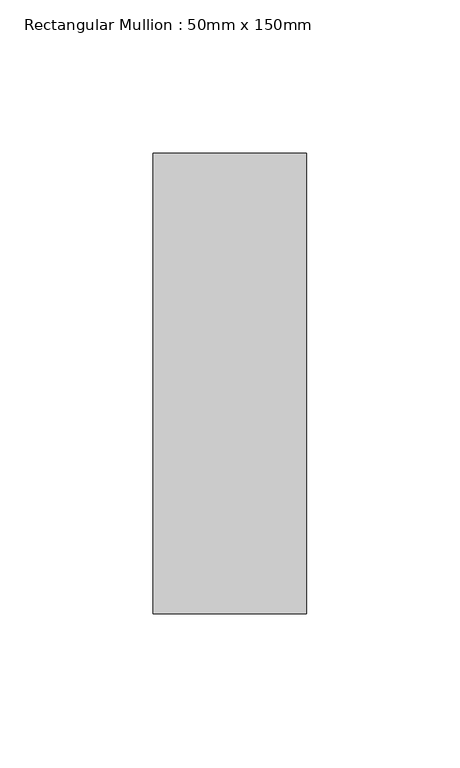
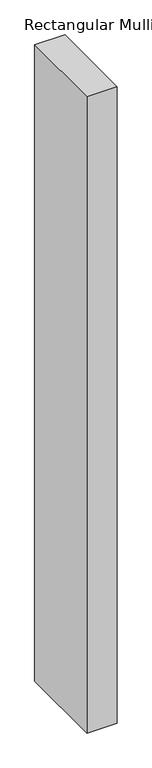
"""IFC4 building model written with IfcOpenShell, lengths in millimetres: member geometry, Rectangular Mullion : 50mm x 150mm."""

import ifcopenshell
import ifcopenshell.guid

model = None  # the IFC model being written
_history = None  # IfcOwnerHistory: only IFC2X3 demands one
_inside = {}  # id of a spatial element -> (the spatial element, [elements in it])
_under = {}  # id of a project, library or spatial element -> (it, [spatial elements below it])
_declared = {}  # id of a project -> (the project, [libraries it declares])
_typed = {}  # id of a type object -> (the type object, [elements of that type])
_made_of = {}  # id of a material, layer set ... -> (it, [elements and type objects made of it])


def new_model(schema):
    """Start an empty IFC model of exactly this schema.

    Asked for "IFC4X3", IfcOpenShell would pick the latest addendum, in which some entities
    have other attributes; the version numbers below select the first issue.
    IFC2X3 requires an IfcOwnerHistory on every rooted entity: one is made here for all.
    """
    global model, _history
    if schema == "IFC4X3":
        model = ifcopenshell.file(schema_version=(4, 3, 0, 0))
    else:
        model = ifcopenshell.file(schema=schema)
    _inside.clear()
    _under.clear()
    _declared.clear()
    _typed.clear()
    _made_of.clear()
    _history = None
    if model.schema == "IFC2X3":
        org = make("IfcOrganization", Name="unknown")
        user = make(
            "IfcPersonAndOrganization",
            ThePerson=make("IfcPerson", FamilyName="unknown"),
            TheOrganization=org,
        )
        app = make(
            "IfcApplication",
            ApplicationDeveloper=org,
            Version="unknown",
            ApplicationFullName="unknown",
            ApplicationIdentifier="unknown",
        )
        _history = make(
            "IfcOwnerHistory",
            OwningUser=user,
            OwningApplication=app,
            ChangeAction="ADDED",
            CreationDate=0,
        )
    return model


def make(cls, **values):
    """One entity of the class cls with the attributes given. An attribute that is None is left unset."""
    return model.create_entity(
        cls, **{name: value for name, value in values.items() if value is not None}
    )


def rooted(cls, **values):
    """An entity with a GlobalId (a new one), such as an element, a storey or a relation."""
    return make(cls, GlobalId=ifcopenshell.guid.new(), OwnerHistory=_history, **values)


def si_unit(unit_type, name, prefix=None):
    """IfcSIUnit, for example si_unit("LENGTHUNIT", "METRE", prefix="MILLI")."""
    return make("IfcSIUnit", UnitType=unit_type, Prefix=prefix, Name=name)


def assignment(units):
    """IfcUnitAssignment: the units of a project."""
    return None if units is None else make("IfcUnitAssignment", Units=units)


def point(xyz):
    """IfcCartesianPoint."""
    return None if xyz is None else make("IfcCartesianPoint", Coordinates=xyz)


def direction(xyz):
    """IfcDirection."""
    return None if xyz is None else make("IfcDirection", DirectionRatios=xyz)


def frame(location, z_axis=None, x_axis=None):
    """IfcAxis2Placement3D, a coordinate frame: its origin and axes. An axis left out is left unset."""
    return make(
        "IfcAxis2Placement3D",
        Location=point(location),
        Axis=direction(z_axis),
        RefDirection=direction(x_axis),
    )


def origin():
    """The frame at (0, 0, 0) with its axes left unset."""
    return frame((0.0, 0.0, 0.0))


def place(relative_to, where):
    """IfcLocalPlacement: puts the frame where relative to a parent placement (None: the world)."""
    return make(
        "IfcLocalPlacement", PlacementRelTo=relative_to, RelativePlacement=where
    )


def context(
    kind, dimensions, precision=None, world=None, true_north=None, identifier=None
):
    """IfcGeometricRepresentationContext, for example the 3D "Model" context."""
    return make(
        "IfcGeometricRepresentationContext",
        ContextIdentifier=identifier,
        ContextType=kind,
        CoordinateSpaceDimension=dimensions,
        Precision=precision,
        WorldCoordinateSystem=world,
        TrueNorth=true_north,
    )


def project(units=None, contexts=None):
    """IfcProject with its units and contexts."""
    return rooted(
        "IfcProject",
        Name="project",
        RepresentationContexts=contexts,
        UnitsInContext=assignment(units),
    )


def spatial(cls, under=None, at=None, **own):
    """A site, building, storey or space (cls), placed at a placement, below another one or the project."""
    s = rooted(cls, ObjectPlacement=at, **own)
    if under is not None:
        _under.setdefault(under.id(), (under, []))[1].append(s)
    return s


def polyline(points):
    """IfcPolyline through the points."""
    return make("IfcPolyline", Points=[point(p) for p in points])


def outline(outer, holes=None, kind="AREA"):
    """IfcArbitraryClosedProfileDef: a profile drawn as a closed curve; with holes, ...WithVoids."""
    if holes is None:
        return make("IfcArbitraryClosedProfileDef", ProfileType=kind, OuterCurve=outer)
    return make(
        "IfcArbitraryProfileDefWithVoids",
        ProfileType=kind,
        OuterCurve=outer,
        InnerCurves=holes,
    )


def extrude(swept, where, along, depth):
    """IfcExtrudedAreaSolid: the profile swept, set in the frame where, extruded along a direction by depth."""
    return make(
        "IfcExtrudedAreaSolid",
        SweptArea=swept,
        Position=where,
        ExtrudedDirection=direction(along),
        Depth=depth,
    )


def shape(context_of_items, identifier, shape_type, items):
    """IfcShapeRepresentation: the items that make up one representation, for example the "Body"."""
    return make(
        "IfcShapeRepresentation",
        ContextOfItems=context_of_items,
        RepresentationIdentifier=identifier,
        RepresentationType=shape_type,
        Items=items,
    )


def source(mapping_origin, context_of_items, identifier, shape_type, items):
    """IfcRepresentationMap: a shape defined once, which mapped items show again and again."""
    return make(
        "IfcRepresentationMap",
        MappingOrigin=mapping_origin,
        MappedRepresentation=shape(context_of_items, identifier, shape_type, items),
    )


def transform(
    local_origin,
    x_axis=None,
    y_axis=None,
    z_axis=None,
    scale=None,
    scale2=None,
    scale3=None,
    uniform=True,
):
    """IfcCartesianTransformationOperator3D, or its non-uniform kind. x_axis, y_axis, z_axis: its Axis1, 2, 3."""
    if uniform:
        return make(
            "IfcCartesianTransformationOperator3D",
            Axis1=direction(x_axis),
            Axis2=direction(y_axis),
            LocalOrigin=point(local_origin),
            Scale=scale,
            Axis3=direction(z_axis),
        )
    return make(
        "IfcCartesianTransformationOperator3DnonUniform",
        Axis1=direction(x_axis),
        Axis2=direction(y_axis),
        LocalOrigin=point(local_origin),
        Scale=scale,
        Axis3=direction(z_axis),
        Scale2=scale2,
        Scale3=scale3,
    )


def mapped(mapping_source, mapping_target):
    """IfcMappedItem: shows the shape of a source again, moved by a transform."""
    return make(
        "IfcMappedItem", MappingSource=mapping_source, MappingTarget=mapping_target
    )


def made_of(thing, what):
    """Note that an element or type object is made of a material, layer set ...; save() writes the relation."""
    if what is not None:
        _made_of.setdefault(what.id(), (what, []))[1].append(thing)
    return thing


def element(
    cls,
    number,
    at=None,
    inside=None,
    cuts=None,
    type_object=None,
    material=None,
    context=None,
    identifier="Body",
    shape_type=None,
    held_by="IfcProductDefinitionShape",
    body=None,
    shapes=None,
    **own,
):
    """One element of the class cls, such as IfcWall. Its Tag is "e" and its number.

    at: its placement. inside: the storey or other place that contains it. cuts: it is an
    opening in that element (IfcRelVoidsElement). A single representation is given by context,
    identifier, shape_type and body (its items); several are given by shapes. held_by: the class
    of the entity that holds the representations. save() writes the other relations.
    """
    e = rooted(cls, Tag="e%d" % number, ObjectPlacement=at, **own)
    if body is not None:
        shapes = [shape(context, identifier, shape_type, body)]
    if shapes is not None:
        e.Representation = make(held_by, Representations=shapes)
    if inside is not None:
        _inside.setdefault(inside.id(), (inside, []))[1].append(e)
    if cuts is not None:
        rooted(
            "IfcRelVoidsElement", RelatingBuildingElement=cuts, RelatedOpeningElement=e
        )
    if type_object is not None:
        _typed.setdefault(type_object.id(), (type_object, []))[1].append(e)
    return made_of(e, material)


def aggregate(whole, parts):
    """IfcRelAggregates: a whole, such as a stair, and the parts it consists of."""
    return rooted("IfcRelAggregates", RelatingObject=whole, RelatedObjects=parts)


def save(model, path):
    """Write the relations noted so far, then the file.

    IfcRelAggregates (storeys below a building ...), IfcRelContainedInSpatialStructure (elements
    in a storey), IfcRelDefinesByType, IfcRelAssociatesMaterial and IfcRelDeclares: one each for
    every whole, place, type object, material and project.
    """
    for whole, parts in _under.values():
        aggregate(whole, parts)
    for where, things in _inside.values():
        rooted(
            "IfcRelContainedInSpatialStructure",
            RelatedElements=things,
            RelatingStructure=where,
        )
    for kind, things in _typed.values():
        rooted("IfcRelDefinesByType", RelatedObjects=things, RelatingType=kind)
    for what, things in _made_of.values():
        rooted("IfcRelAssociatesMaterial", RelatedObjects=things, RelatingMaterial=what)
    for by, libraries in _declared.values():
        rooted("IfcRelDeclares", RelatingContext=by, RelatedDefinitions=libraries)
    model.write(path)


def rectangular_mullion_50mm_x_150mm_ffb06196(model_context):
    return source(origin(), model_context, "Body", "SweptSolid", [
        extrude(outline(polyline([(0.0, 75.0), (0.0, -75.0), (-50.0, -75.0), (-50.0, 75.0), (0.0, 75.0)])), frame((0.0, 0.0, -1112.5000002), z_axis=(0.0, 0.0, 1.0), x_axis=(1.0, 0.0, 0.0)), (0.0, 0.0, 1.0), 1112.5000002),
    ])


if __name__ == "__main__":
    model = new_model("IFC4")
    model_context = context("Model", 3, world=origin())
    ifc_project = project(units=[si_unit("LENGTHUNIT", "METRE", prefix="MILLI")], contexts=[model_context])
    site = spatial("IfcSite", under=ifc_project)
    building = spatial("IfcBuilding", under=site)
    placement = place(None, origin())
    rectangular_mullion_50mm_x_150mm_shape = rectangular_mullion_50mm_x_150mm_ffb06196(model_context)
    element("IfcMember", 1, ObjectType="Rectangular Mullion : 50mm x 150mm", at=placement, inside=building, context=model_context, shape_type="MappedRepresentation", body=[
        mapped(rectangular_mullion_50mm_x_150mm_shape, transform((0.0, 0.0, 0.0), x_axis=(1.0, 0.0, 0.0), y_axis=(0.0, 1.0, 0.0), z_axis=(0.0, 0.0, 1.0))),
    ])
    save(model, "model.ifc")
